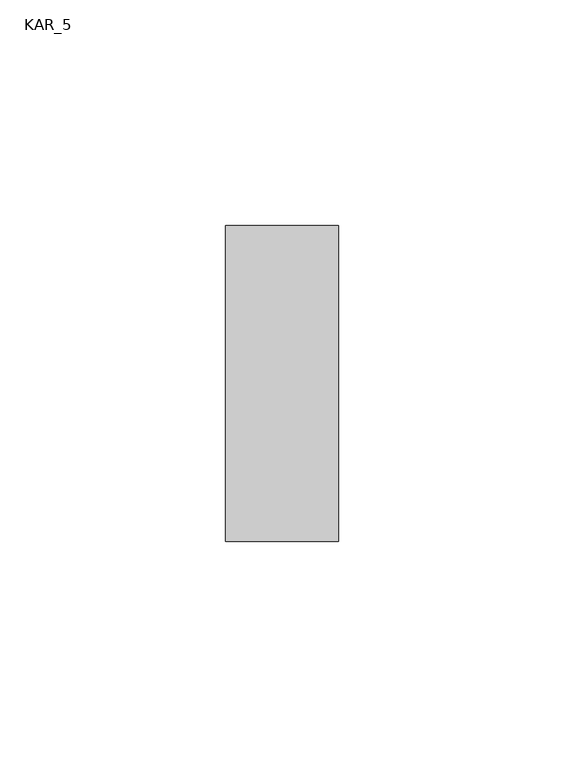
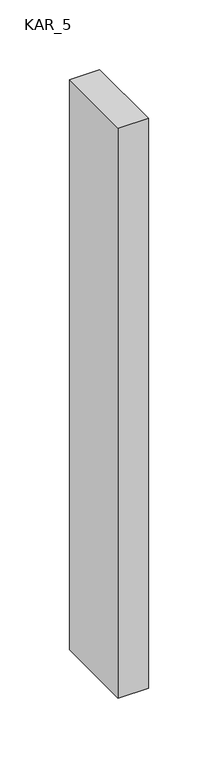
"""IFC4 building model written with IfcOpenShell, lengths in millimetres: proxy geometry, KAR_5."""

from ifc_helpers import new_model, si_unit, frame, origin, place, context, project, spatial, polyline, outline, extrude, source, transform, mapped, element, save


def kar_5_1ef9f876(model_context):
    return source(origin(), model_context, "Body", "SweptSolid", [
        extrude(outline(polyline([(25.0, 70.0), (25.0, 0.0), (0.0, 0.0), (0.0, 70.0), (25.0, 70.0)])), frame((0.0, 0.0, 1200.0), z_axis=(0.0, 0.0, 1.0), x_axis=(1.0, 0.0, 0.0)), (0.0, 0.0, 1.0), 500.0),
    ])


if __name__ == "__main__":
    model = new_model("IFC4")
    model_context = context("Model", 3, world=origin())
    ifc_project = project(units=[si_unit("LENGTHUNIT", "METRE", prefix="MILLI")], contexts=[model_context])
    site = spatial("IfcSite", under=ifc_project)
    building = spatial("IfcBuilding", under=site)
    placement = place(None, origin())
    kar_5_shape = kar_5_1ef9f876(model_context)
    element("IfcBuildingElementProxy", 1, Name="KAR_5", ObjectType="KAR_5", at=placement, inside=building, context=model_context, shape_type="MappedRepresentation", body=[
        mapped(kar_5_shape, transform((0.0, 0.0, 0.0), x_axis=(1.0, 0.0, 0.0), y_axis=(0.0, 1.0, 0.0), z_axis=(0.0, 0.0, 1.0))),
    ])
    save(model, "model.ifc")
